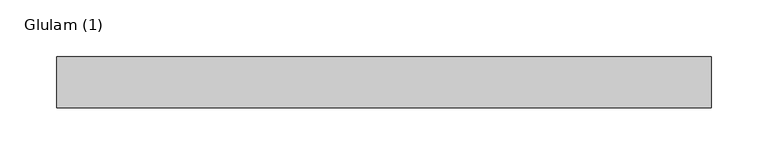
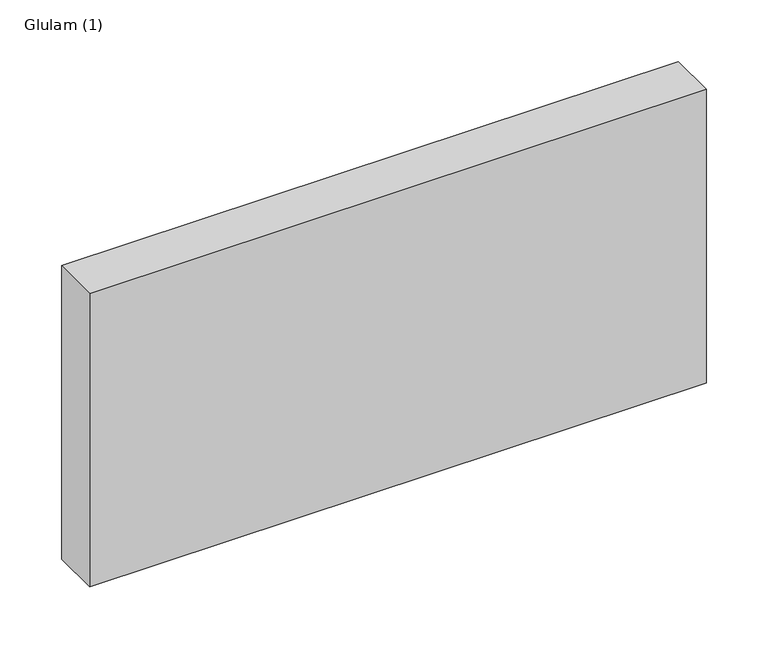
"""IFC4 building model written with IfcOpenShell, lengths in millimetres: beam geometry, Glulam (1)."""

from ifc_helpers import new_model, si_unit, frame, origin, place, context, project, spatial, polyline, outline, extrude, source, transform, mapped, element, save


def glulam_1_50ddb1f9(model_context):
    return source(origin(), model_context, "Body", "SweptSolid", [
        extrude(outline(polyline([(277.0, 22.5), (277.0, -22.5), (-299.0, -22.5), (-299.0, 22.5), (277.0, 22.5)])), frame((0.0, 0.0, -145.0), z_axis=(0.0, 0.0, 1.0), x_axis=(1.0, 0.0, 0.0)), (0.0, 0.0, 1.0), 290.0),
    ])


if __name__ == "__main__":
    model = new_model("IFC4")
    model_context = context("Model", 3, world=origin())
    ifc_project = project(units=[si_unit("LENGTHUNIT", "METRE", prefix="MILLI")], contexts=[model_context])
    site = spatial("IfcSite", under=ifc_project)
    building = spatial("IfcBuilding", under=site)
    placement = place(None, origin())
    glulam_1_shape = glulam_1_50ddb1f9(model_context)
    element("IfcBeam", 1, ObjectType="Glulam (1)", at=placement, inside=building, context=model_context, shape_type="MappedRepresentation", body=[
        mapped(glulam_1_shape, transform((0.0, 0.0, 0.0), x_axis=(1.0, 0.0, 0.0), y_axis=(0.0, 1.0, 0.0), z_axis=(0.0, 0.0, 1.0))),
    ])
    save(model, "model.ifc")
